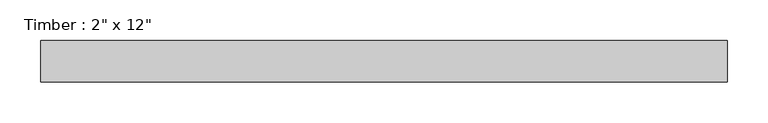
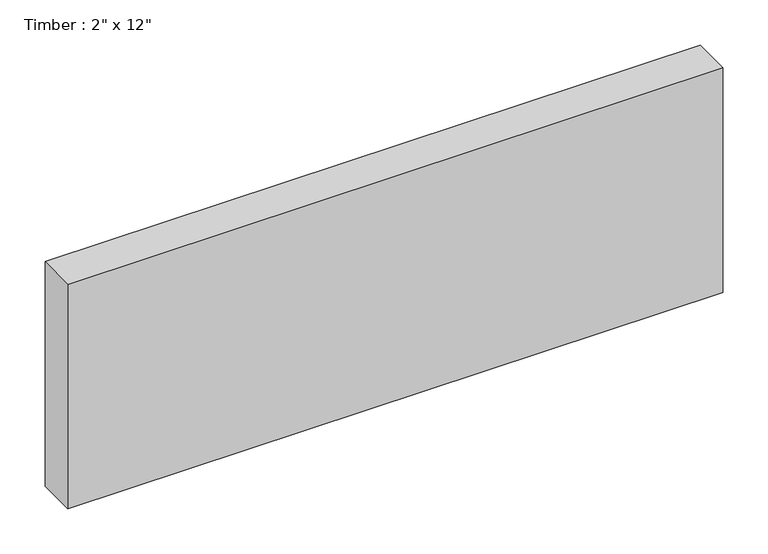
"""IFC4 building model written with IfcOpenShell, lengths in millimetres: beam geometry."""

from ifc_helpers import new_model, si_unit, frame, origin, place, context, project, spatial, polyline, outline, extrude, source, transform, mapped, element, save


def beam_cdcb3a1a(model_context):
    return source(origin(), model_context, "Body", "SweptSolid", [
        extrude(outline(polyline([(407.3779224, 25.4), (407.3779224, -25.4), (-432.7779224, -25.4), (-432.7779224, 25.4), (407.3779224, 25.4)])), frame((0.0, 0.0, -152.4), z_axis=(0.0, 0.0, 1.0), x_axis=(1.0, 0.0, 0.0)), (0.0, 0.0, 1.0), 304.8),
    ])


if __name__ == "__main__":
    model = new_model("IFC4")
    model_context = context("Model", 3, world=origin())
    ifc_project = project(units=[si_unit("LENGTHUNIT", "METRE", prefix="MILLI")], contexts=[model_context])
    site = spatial("IfcSite", under=ifc_project)
    building = spatial("IfcBuilding", under=site)
    placement = place(None, origin())
    beam_shape = beam_cdcb3a1a(model_context)
    element("IfcBeam", 1, ObjectType="Timber : 2\" x 12\"", at=placement, inside=building, context=model_context, shape_type="MappedRepresentation", body=[
        mapped(beam_shape, transform((0.0, 0.0, 0.0), x_axis=(1.0, 0.0, 0.0), y_axis=(0.0, 1.0, 0.0), z_axis=(0.0, 0.0, 1.0))),
    ])
    save(model, "model.ifc")
